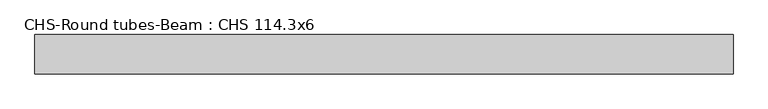
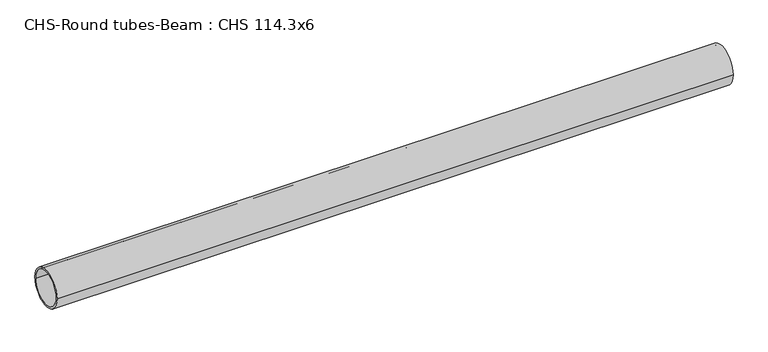
"""IFC4 building model written with IfcOpenShell, lengths in millimetres: beam geometry, CHS-Round tubes-Beam : CHS 114.3x6."""

from ifc_helpers import new_model, si_unit, point, frame, origin, origin_2d, place, context, project, spatial, circle_curve, trimmed, segment, composite_curve, outline, extrude, source, transform, mapped, element, save


def chs_round_tubes_beam_chs_114_3x6_d0c38c07(model_context):
    return source(origin(), model_context, "Body", "SweptSolid", [
        extrude(outline(composite_curve([segment(trimmed(circle_curve(origin_2d(), 57.15), [point((57.15, 0.0))], [point((-57.15, 0.0))], False, "CARTESIAN"), True, "CONTINUOUS"), segment(trimmed(circle_curve(origin_2d(), 57.15), [point((-57.15, 0.0))], [point((57.15, 0.0))], False, "CARTESIAN"), True, "CONTINUOUS")], self_intersect=False), holes=[composite_curve([segment(trimmed(circle_curve(origin_2d(), 51.15), [point((51.15, 0.0))], [point((-51.15, 0.0))], True, "CARTESIAN"), True, "CONTINUOUS"), segment(trimmed(circle_curve(origin_2d(), 51.15), [point((-51.15, 0.0))], [point((51.15, 0.0))], True, "CARTESIAN"), True, "CONTINUOUS")], self_intersect=False)]), frame((-991.0840362, 0.0, 0.0), z_axis=(1.0, 0.0, 0.0), x_axis=(0.0, 1.0, 0.0)), (0.0, 0.0, 1.0), 2018.8314155),
    ])


if __name__ == "__main__":
    model = new_model("IFC4")
    model_context = context("Model", 3, world=origin())
    ifc_project = project(units=[si_unit("LENGTHUNIT", "METRE", prefix="MILLI")], contexts=[model_context])
    site = spatial("IfcSite", under=ifc_project)
    building = spatial("IfcBuilding", under=site)
    placement = place(None, origin())
    chs_round_tubes_beam_chs_114_3x6_shape = chs_round_tubes_beam_chs_114_3x6_d0c38c07(model_context)
    element("IfcBeam", 1, ObjectType="CHS-Round tubes-Beam : CHS 114.3x6", at=placement, inside=building, context=model_context, shape_type="MappedRepresentation", body=[
        mapped(chs_round_tubes_beam_chs_114_3x6_shape, transform((0.0, 0.0, 0.0), x_axis=(1.0, 0.0, 0.0), y_axis=(0.0, 1.0, 0.0), z_axis=(0.0, 0.0, 1.0))),
    ])
    save(model, "model.ifc")
